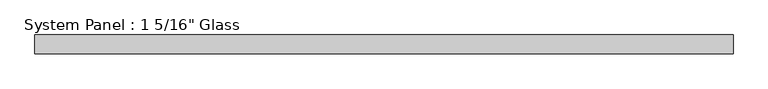
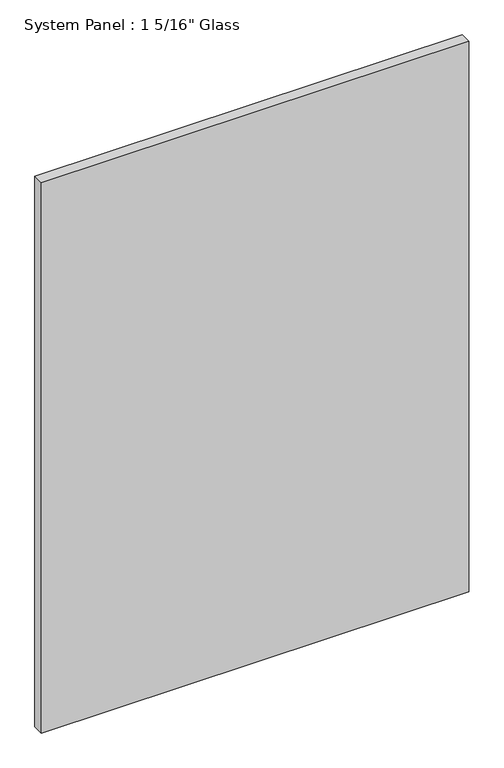
"""IFC4 building model written with IfcOpenShell, lengths in millimetres: plate geometry."""

from ifc_helpers import new_model, si_unit, origin, origin_with_axes, place, context, project, spatial, polyline, outline, extrude, source, transform, mapped, element, save


def plate_5c42d2c5(model_context):
    return source(origin(), model_context, "Body", "SweptSolid", [
        extrude(outline(polyline([(625.078125, -16.66875), (-625.078125, -16.66875), (-625.078125, 16.66875), (625.078125, 16.66875), (625.078125, -16.66875)])), origin_with_axes(), (0.0, 0.0, 1.0), 1701.8),
    ])


if __name__ == "__main__":
    model = new_model("IFC4")
    model_context = context("Model", 3, world=origin())
    ifc_project = project(units=[si_unit("LENGTHUNIT", "METRE", prefix="MILLI")], contexts=[model_context])
    site = spatial("IfcSite", under=ifc_project)
    building = spatial("IfcBuilding", under=site)
    placement = place(None, origin())
    plate_shape = plate_5c42d2c5(model_context)
    element("IfcPlate", 1, ObjectType="System Panel : 1 5/16\" Glass", at=placement, inside=building, context=model_context, shape_type="MappedRepresentation", body=[
        mapped(plate_shape, transform((0.0, 0.0, 0.0), x_axis=(1.0, 0.0, 0.0), y_axis=(0.0, 1.0, 0.0), z_axis=(0.0, 0.0, 1.0))),
    ])
    save(model, "model.ifc")
